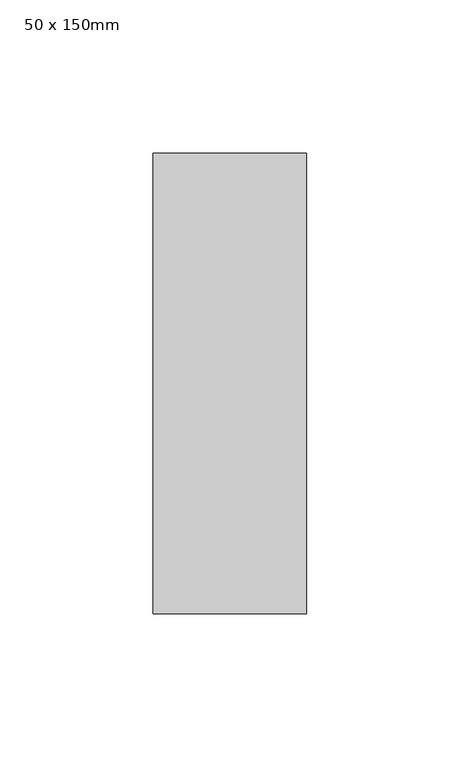
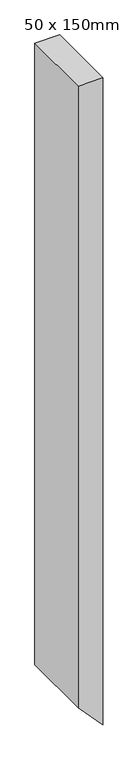
"""IFC4 building model written with IfcOpenShell, lengths in millimetres: member geometry, 50 x 150mm."""

from ifc_helpers import new_model, si_unit, frame, origin, place, context, project, spatial, polyline, outline, extrude, source, transform, mapped, element, save


def member_50_x_150mm_e2d6f952(model_context):
    return source(origin(), model_context, "Body", "SweptSolid", [
        extrude(outline(polyline([(0.0, 0.0), (0.0, -50.0), (-1318.7674, -50.0), (-1372.9461313, 0.0), (0.0, 0.0)])), frame((0.0, -75.0, 0.0), z_axis=(0.0, 1.0, 0.0), x_axis=(0.0, 0.0, 1.0)), (0.0, 0.0, 1.0), 150.0),
    ])


if __name__ == "__main__":
    model = new_model("IFC4")
    model_context = context("Model", 3, world=origin())
    ifc_project = project(units=[si_unit("LENGTHUNIT", "METRE", prefix="MILLI")], contexts=[model_context])
    site = spatial("IfcSite", under=ifc_project)
    building = spatial("IfcBuilding", under=site)
    placement = place(None, origin())
    member_50_x_150mm_shape = member_50_x_150mm_e2d6f952(model_context)
    element("IfcMember", 1, ObjectType="50 x 150mm", at=placement, inside=building, context=model_context, shape_type="MappedRepresentation", body=[
        mapped(member_50_x_150mm_shape, transform((0.0, 0.0, 0.0), x_axis=(1.0, 0.0, 0.0), y_axis=(0.0, 1.0, 0.0), z_axis=(0.0, 0.0, 1.0))),
    ])
    save(model, "model.ifc")
